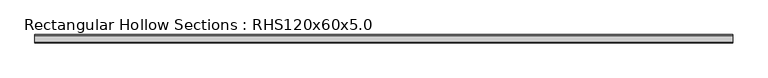
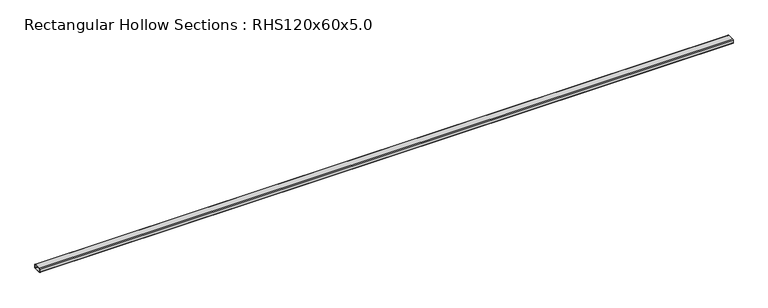
"""IFC4 building model written with IfcOpenShell, lengths in millimetres: beam geometry, Rectangular Hollow Sections : RHS120x60x5.0."""

from ifc_helpers import new_model, si_unit, point, frame, frame_2d, origin, place, context, project, spatial, polyline, circle_curve, trimmed, segment, composite_curve, outline, extrude, source, transform, mapped, element, save


def rectangular_hollow_sections_rhs120x60x5_0_407d124c(model_context):
    return source(origin(), model_context, "Body", "SweptSolid", [
        extrude(outline(composite_curve([segment(polyline([(60.0, 20.0), (60.0, -20.0)]), True, "CONTINUOUS"), segment(trimmed(circle_curve(frame_2d((50.0, -20.0)), 10.0), [point((60.0, -20.0))], [point((50.0, -30.0))], False, "CARTESIAN"), True, "CONTINUOUS"), segment(polyline([(50.0, -30.0), (-50.0, -30.0)]), True, "CONTINUOUS"), segment(trimmed(circle_curve(frame_2d((-50.0, -20.0)), 10.0), [point((-50.0, -30.0))], [point((-60.0, -20.0))], False, "CARTESIAN"), True, "CONTINUOUS"), segment(polyline([(-60.0, -20.0), (-60.0, 20.0)]), True, "CONTINUOUS"), segment(trimmed(circle_curve(frame_2d((-50.0, 20.0)), 10.0), [point((-60.0, 20.0))], [point((-50.0, 30.0))], False, "CARTESIAN"), True, "CONTINUOUS"), segment(polyline([(-50.0, 30.0), (50.0, 30.0)]), True, "CONTINUOUS"), segment(trimmed(circle_curve(frame_2d((50.0, 20.0)), 10.0), [point((50.0, 30.0))], [point((60.0, 20.0))], False, "CARTESIAN"), True, "CONTINUOUS")], self_intersect=False), holes=[composite_curve([segment(trimmed(circle_curve(frame_2d((-50.0, 20.0)), 5.0), [point((-50.0, 25.0))], [point((-55.0, 20.0))], True, "CARTESIAN"), True, "CONTINUOUS"), segment(polyline([(-55.0, 20.0), (-55.0, -20.0)]), True, "CONTINUOUS"), segment(trimmed(circle_curve(frame_2d((-50.0, -20.0)), 5.0), [point((-55.0, -20.0))], [point((-50.0, -25.0))], True, "CARTESIAN"), True, "CONTINUOUS"), segment(polyline([(-50.0, -25.0), (50.0, -25.0)]), True, "CONTINUOUS"), segment(trimmed(circle_curve(frame_2d((50.0, -20.0)), 5.0), [point((50.0, -25.0))], [point((55.0, -20.0))], True, "CARTESIAN"), True, "CONTINUOUS"), segment(polyline([(55.0, -20.0), (55.0, 20.0)]), True, "CONTINUOUS"), segment(trimmed(circle_curve(frame_2d((50.0, 20.0)), 5.0), [point((55.0, 20.0))], [point((50.0, 25.0))], True, "CARTESIAN"), True, "CONTINUOUS"), segment(polyline([(50.0, 25.0), (-50.0, 25.0)]), True, "CONTINUOUS")], self_intersect=False)]), frame((-5000.0, 0.0, 0.0), z_axis=(1.0, 0.0, 0.0), x_axis=(0.0, 1.0, 0.0)), (0.0, 0.0, 1.0), 10050.0),
    ])


if __name__ == "__main__":
    model = new_model("IFC4")
    model_context = context("Model", 3, world=origin())
    ifc_project = project(units=[si_unit("LENGTHUNIT", "METRE", prefix="MILLI")], contexts=[model_context])
    site = spatial("IfcSite", under=ifc_project)
    building = spatial("IfcBuilding", under=site)
    placement = place(None, origin())
    rectangular_hollow_sections_rhs120x60x5_0_shape = rectangular_hollow_sections_rhs120x60x5_0_407d124c(model_context)
    element("IfcBeam", 1, ObjectType="Rectangular Hollow Sections : RHS120x60x5.0", at=placement, inside=building, context=model_context, shape_type="MappedRepresentation", body=[
        mapped(rectangular_hollow_sections_rhs120x60x5_0_shape, transform((0.0, 0.0, 0.0), x_axis=(1.0, 0.0, 0.0), y_axis=(0.0, 1.0, 0.0), z_axis=(0.0, 0.0, 1.0))),
    ])
    save(model, "model.ifc")
